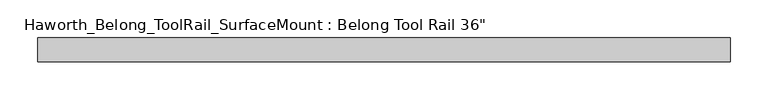
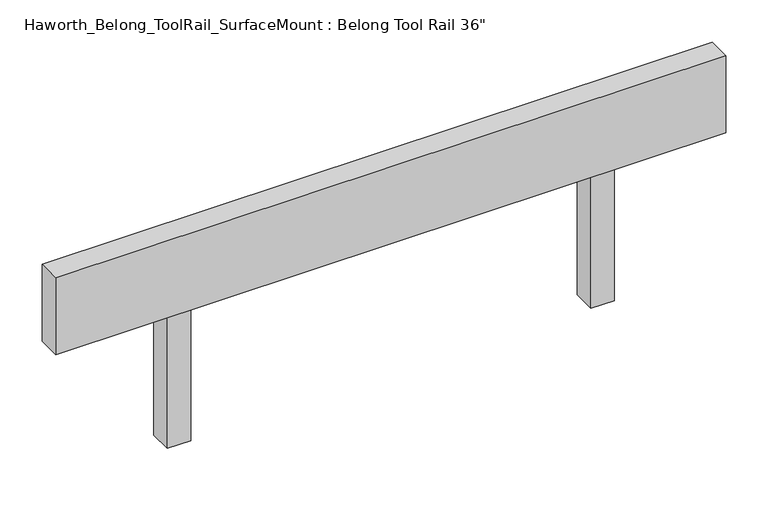
"""IFC4 building model written with IfcOpenShell, lengths in millimetres: furniture geometry."""

import ifcopenshell
import ifcopenshell.guid

model = None  # the IFC model being written
_history = None  # IfcOwnerHistory: only IFC2X3 demands one
_inside = {}  # id of a spatial element -> (the spatial element, [elements in it])
_under = {}  # id of a project, library or spatial element -> (it, [spatial elements below it])
_declared = {}  # id of a project -> (the project, [libraries it declares])
_typed = {}  # id of a type object -> (the type object, [elements of that type])
_made_of = {}  # id of a material, layer set ... -> (it, [elements and type objects made of it])


def new_model(schema):
    """Start an empty IFC model of exactly this schema.

    Asked for "IFC4X3", IfcOpenShell would pick the latest addendum, in which some entities
    have other attributes; the version numbers below select the first issue.
    IFC2X3 requires an IfcOwnerHistory on every rooted entity: one is made here for all.
    """
    global model, _history
    if schema == "IFC4X3":
        model = ifcopenshell.file(schema_version=(4, 3, 0, 0))
    else:
        model = ifcopenshell.file(schema=schema)
    _inside.clear()
    _under.clear()
    _declared.clear()
    _typed.clear()
    _made_of.clear()
    _history = None
    if model.schema == "IFC2X3":
        org = make("IfcOrganization", Name="unknown")
        user = make(
            "IfcPersonAndOrganization",
            ThePerson=make("IfcPerson", FamilyName="unknown"),
            TheOrganization=org,
        )
        app = make(
            "IfcApplication",
            ApplicationDeveloper=org,
            Version="unknown",
            ApplicationFullName="unknown",
            ApplicationIdentifier="unknown",
        )
        _history = make(
            "IfcOwnerHistory",
            OwningUser=user,
            OwningApplication=app,
            ChangeAction="ADDED",
            CreationDate=0,
        )
    return model


def make(cls, **values):
    """One entity of the class cls with the attributes given. An attribute that is None is left unset."""
    return model.create_entity(
        cls, **{name: value for name, value in values.items() if value is not None}
    )


def rooted(cls, **values):
    """An entity with a GlobalId (a new one), such as an element, a storey or a relation."""
    return make(cls, GlobalId=ifcopenshell.guid.new(), OwnerHistory=_history, **values)


def si_unit(unit_type, name, prefix=None):
    """IfcSIUnit, for example si_unit("LENGTHUNIT", "METRE", prefix="MILLI")."""
    return make("IfcSIUnit", UnitType=unit_type, Prefix=prefix, Name=name)


def assignment(units):
    """IfcUnitAssignment: the units of a project."""
    return None if units is None else make("IfcUnitAssignment", Units=units)


def point(xyz):
    """IfcCartesianPoint."""
    return None if xyz is None else make("IfcCartesianPoint", Coordinates=xyz)


def direction(xyz):
    """IfcDirection."""
    return None if xyz is None else make("IfcDirection", DirectionRatios=xyz)


def frame(location, z_axis=None, x_axis=None):
    """IfcAxis2Placement3D, a coordinate frame: its origin and axes. An axis left out is left unset."""
    return make(
        "IfcAxis2Placement3D",
        Location=point(location),
        Axis=direction(z_axis),
        RefDirection=direction(x_axis),
    )


def origin():
    """The frame at (0, 0, 0) with its axes left unset."""
    return frame((0.0, 0.0, 0.0))


def place(relative_to, where):
    """IfcLocalPlacement: puts the frame where relative to a parent placement (None: the world)."""
    return make(
        "IfcLocalPlacement", PlacementRelTo=relative_to, RelativePlacement=where
    )


def context(
    kind, dimensions, precision=None, world=None, true_north=None, identifier=None
):
    """IfcGeometricRepresentationContext, for example the 3D "Model" context."""
    return make(
        "IfcGeometricRepresentationContext",
        ContextIdentifier=identifier,
        ContextType=kind,
        CoordinateSpaceDimension=dimensions,
        Precision=precision,
        WorldCoordinateSystem=world,
        TrueNorth=true_north,
    )


def project(units=None, contexts=None):
    """IfcProject with its units and contexts."""
    return rooted(
        "IfcProject",
        Name="project",
        RepresentationContexts=contexts,
        UnitsInContext=assignment(units),
    )


def spatial(cls, under=None, at=None, **own):
    """A site, building, storey or space (cls), placed at a placement, below another one or the project."""
    s = rooted(cls, ObjectPlacement=at, **own)
    if under is not None:
        _under.setdefault(under.id(), (under, []))[1].append(s)
    return s


def polyline(points):
    """IfcPolyline through the points."""
    return make("IfcPolyline", Points=[point(p) for p in points])


def outline(outer, holes=None, kind="AREA"):
    """IfcArbitraryClosedProfileDef: a profile drawn as a closed curve; with holes, ...WithVoids."""
    if holes is None:
        return make("IfcArbitraryClosedProfileDef", ProfileType=kind, OuterCurve=outer)
    return make(
        "IfcArbitraryProfileDefWithVoids",
        ProfileType=kind,
        OuterCurve=outer,
        InnerCurves=holes,
    )


def extrude(swept, where, along, depth):
    """IfcExtrudedAreaSolid: the profile swept, set in the frame where, extruded along a direction by depth."""
    return make(
        "IfcExtrudedAreaSolid",
        SweptArea=swept,
        Position=where,
        ExtrudedDirection=direction(along),
        Depth=depth,
    )


def shape(context_of_items, identifier, shape_type, items):
    """IfcShapeRepresentation: the items that make up one representation, for example the "Body"."""
    return make(
        "IfcShapeRepresentation",
        ContextOfItems=context_of_items,
        RepresentationIdentifier=identifier,
        RepresentationType=shape_type,
        Items=items,
    )


def source(mapping_origin, context_of_items, identifier, shape_type, items):
    """IfcRepresentationMap: a shape defined once, which mapped items show again and again."""
    return make(
        "IfcRepresentationMap",
        MappingOrigin=mapping_origin,
        MappedRepresentation=shape(context_of_items, identifier, shape_type, items),
    )


def transform(
    local_origin,
    x_axis=None,
    y_axis=None,
    z_axis=None,
    scale=None,
    scale2=None,
    scale3=None,
    uniform=True,
):
    """IfcCartesianTransformationOperator3D, or its non-uniform kind. x_axis, y_axis, z_axis: its Axis1, 2, 3."""
    if uniform:
        return make(
            "IfcCartesianTransformationOperator3D",
            Axis1=direction(x_axis),
            Axis2=direction(y_axis),
            LocalOrigin=point(local_origin),
            Scale=scale,
            Axis3=direction(z_axis),
        )
    return make(
        "IfcCartesianTransformationOperator3DnonUniform",
        Axis1=direction(x_axis),
        Axis2=direction(y_axis),
        LocalOrigin=point(local_origin),
        Scale=scale,
        Axis3=direction(z_axis),
        Scale2=scale2,
        Scale3=scale3,
    )


def mapped(mapping_source, mapping_target):
    """IfcMappedItem: shows the shape of a source again, moved by a transform."""
    return make(
        "IfcMappedItem", MappingSource=mapping_source, MappingTarget=mapping_target
    )


def made_of(thing, what):
    """Note that an element or type object is made of a material, layer set ...; save() writes the relation."""
    if what is not None:
        _made_of.setdefault(what.id(), (what, []))[1].append(thing)
    return thing


def element(
    cls,
    number,
    at=None,
    inside=None,
    cuts=None,
    type_object=None,
    material=None,
    context=None,
    identifier="Body",
    shape_type=None,
    held_by="IfcProductDefinitionShape",
    body=None,
    shapes=None,
    **own,
):
    """One element of the class cls, such as IfcWall. Its Tag is "e" and its number.

    at: its placement. inside: the storey or other place that contains it. cuts: it is an
    opening in that element (IfcRelVoidsElement). A single representation is given by context,
    identifier, shape_type and body (its items); several are given by shapes. held_by: the class
    of the entity that holds the representations. save() writes the other relations.
    """
    e = rooted(cls, Tag="e%d" % number, ObjectPlacement=at, **own)
    if body is not None:
        shapes = [shape(context, identifier, shape_type, body)]
    if shapes is not None:
        e.Representation = make(held_by, Representations=shapes)
    if inside is not None:
        _inside.setdefault(inside.id(), (inside, []))[1].append(e)
    if cuts is not None:
        rooted(
            "IfcRelVoidsElement", RelatingBuildingElement=cuts, RelatedOpeningElement=e
        )
    if type_object is not None:
        _typed.setdefault(type_object.id(), (type_object, []))[1].append(e)
    return made_of(e, material)


def aggregate(whole, parts):
    """IfcRelAggregates: a whole, such as a stair, and the parts it consists of."""
    return rooted("IfcRelAggregates", RelatingObject=whole, RelatedObjects=parts)


def save(model, path):
    """Write the relations noted so far, then the file.

    IfcRelAggregates (storeys below a building ...), IfcRelContainedInSpatialStructure (elements
    in a storey), IfcRelDefinesByType, IfcRelAssociatesMaterial and IfcRelDeclares: one each for
    every whole, place, type object, material and project.
    """
    for whole, parts in _under.values():
        aggregate(whole, parts)
    for where, things in _inside.values():
        rooted(
            "IfcRelContainedInSpatialStructure",
            RelatedElements=things,
            RelatingStructure=where,
        )
    for kind, things in _typed.values():
        rooted("IfcRelDefinesByType", RelatedObjects=things, RelatingType=kind)
    for what, things in _made_of.values():
        rooted("IfcRelAssociatesMaterial", RelatedObjects=things, RelatingMaterial=what)
    for by, libraries in _declared.values():
        rooted("IfcRelDeclares", RelatingContext=by, RelatedDefinitions=libraries)
    model.write(path)


def furniture_7cf766f8(model_context):
    return source(origin(), model_context, "Body", "SweptSolid", [
        extrude(outline(polyline([(457.2, 15.875), (457.2, -15.875), (-457.2, -15.875), (-457.2, 15.875), (457.2, 15.875)])), frame((0.0, 0.0, 950.9125), z_axis=(0.0, 0.0, 1.0), x_axis=(1.0, 0.0, 0.0)), (0.0, 0.0, 1.0), 111.125),
        extrude(outline(polyline([(-304.8, 15.875), (-273.05, 15.875), (-273.05, -15.875), (-304.8, -15.875), (-304.8, 15.875)])), frame((0.0, 0.0, 762.0), z_axis=(0.0, 0.0, 1.0), x_axis=(1.0, 0.0, 0.0)), (0.0, 0.0, 1.0), 188.9125),
        extrude(outline(polyline([(273.05, 15.875), (304.8, 15.875), (304.8, -15.875), (273.05, -15.875), (273.05, 15.875)])), frame((0.0, 0.0, 762.0), z_axis=(0.0, 0.0, 1.0), x_axis=(1.0, 0.0, 0.0)), (0.0, 0.0, 1.0), 188.9125),
    ])


if __name__ == "__main__":
    model = new_model("IFC4")
    model_context = context("Model", 3, world=origin())
    ifc_project = project(units=[si_unit("LENGTHUNIT", "METRE", prefix="MILLI")], contexts=[model_context])
    site = spatial("IfcSite", under=ifc_project)
    building = spatial("IfcBuilding", under=site)
    placement = place(None, origin())
    furniture_shape = furniture_7cf766f8(model_context)
    element("IfcFurniture", 1, ObjectType="Haworth_Belong_ToolRail_SurfaceMount : Belong Tool Rail 36\"", at=placement, inside=building, context=model_context, shape_type="MappedRepresentation", body=[
        mapped(furniture_shape, transform((0.0, 0.0, 0.0), x_axis=(1.0, 0.0, 0.0), y_axis=(0.0, 1.0, 0.0), z_axis=(0.0, 0.0, 1.0))),
    ])
    save(model, "model.ifc")
